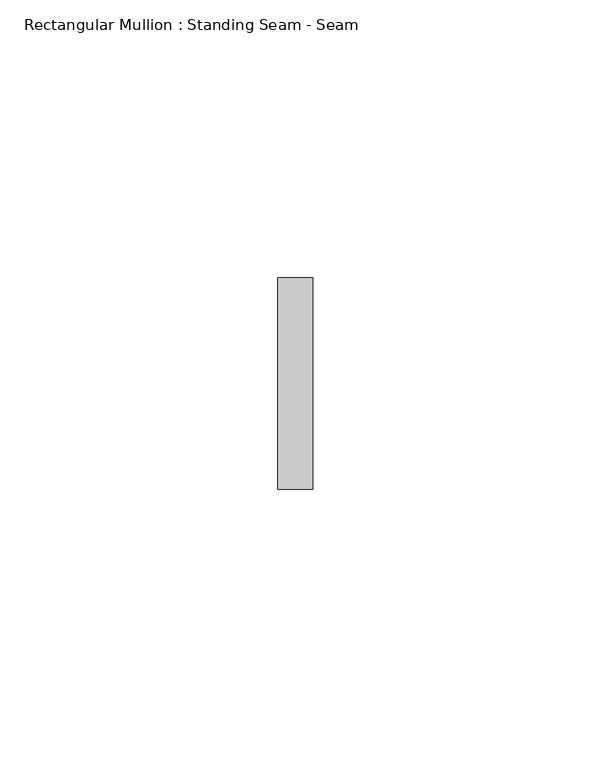
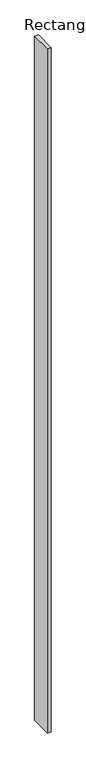
"""IFC4 building model written with IfcOpenShell, lengths in millimetres: member geometry, Rectangular Mullion : Standing Seam - Seam."""

from ifc_helpers import new_model, si_unit, frame, origin, place, context, project, spatial, polyline, outline, extrude, source, transform, mapped, element, save


def rectangular_mullion_standing_seam_seam_4f40b707(model_context):
    return source(origin(), model_context, "Body", "SweptSolid", [
        extrude(outline(polyline([(3.175, 41.275), (3.175, 3.175), (-3.175, 3.175), (-3.175, 41.275), (3.175, 41.275)])), frame((0.0, 0.0, -1244.6), z_axis=(0.0, 0.0, 1.0), x_axis=(1.0, 0.0, 0.0)), (0.0, 0.0, 1.0), 1244.6),
    ])


if __name__ == "__main__":
    model = new_model("IFC4")
    model_context = context("Model", 3, world=origin())
    ifc_project = project(units=[si_unit("LENGTHUNIT", "METRE", prefix="MILLI")], contexts=[model_context])
    site = spatial("IfcSite", under=ifc_project)
    building = spatial("IfcBuilding", under=site)
    placement = place(None, origin())
    rectangular_mullion_standing_seam_seam_shape = rectangular_mullion_standing_seam_seam_4f40b707(model_context)
    element("IfcMember", 1, ObjectType="Rectangular Mullion : Standing Seam - Seam", at=placement, inside=building, context=model_context, shape_type="MappedRepresentation", body=[
        mapped(rectangular_mullion_standing_seam_seam_shape, transform((0.0, 0.0, 0.0), x_axis=(1.0, 0.0, 0.0), y_axis=(0.0, 1.0, 0.0), z_axis=(0.0, 0.0, 1.0))),
    ])
    save(model, "model.ifc")
